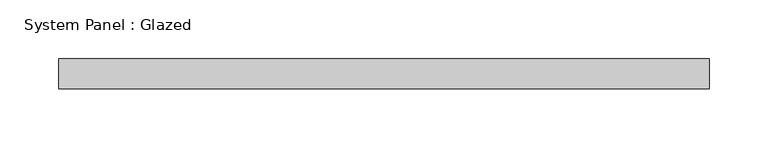
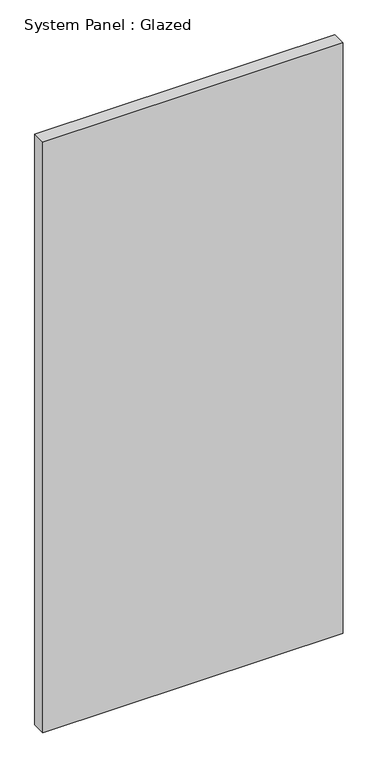
"""IFC4 building model written with IfcOpenShell, lengths in millimetres: plate geometry, System Panel : Glazed."""

from ifc_helpers import new_model, si_unit, origin, origin_with_axes, place, context, project, spatial, polyline, outline, extrude, source, transform, mapped, element, save


def system_panel_glazed_4384a457(model_context):
    return source(origin(), model_context, "Body", "SweptSolid", [
        extrude(outline(polyline([(276.225, -12.7), (-276.225, -12.7), (-276.225, 12.7), (276.225, 12.7), (276.225, -12.7)])), origin_with_axes(), (0.0, 0.0, 1.0), 1149.35),
    ])


if __name__ == "__main__":
    model = new_model("IFC4")
    model_context = context("Model", 3, world=origin())
    ifc_project = project(units=[si_unit("LENGTHUNIT", "METRE", prefix="MILLI")], contexts=[model_context])
    site = spatial("IfcSite", under=ifc_project)
    building = spatial("IfcBuilding", under=site)
    placement = place(None, origin())
    system_panel_glazed_shape = system_panel_glazed_4384a457(model_context)
    element("IfcPlate", 1, ObjectType="System Panel : Glazed", at=placement, inside=building, context=model_context, shape_type="MappedRepresentation", body=[
        mapped(system_panel_glazed_shape, transform((0.0, 0.0, 0.0), x_axis=(1.0, 0.0, 0.0), y_axis=(0.0, 1.0, 0.0), z_axis=(0.0, 0.0, 1.0))),
    ])
    save(model, "model.ifc")
